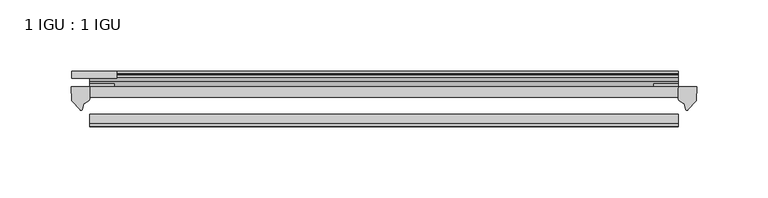
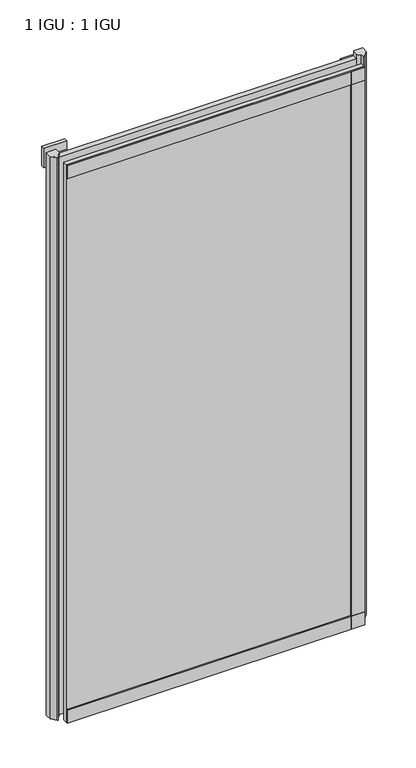
"""IFC4 building model written with IfcOpenShell, lengths in millimetres: plate geometry, 1 IGU : 1 IGU."""

from ifc_helpers import new_model, si_unit, point, frame, frame_2d, origin, place, context, project, spatial, polyline, circle_curve, trimmed, segment, composite_curve, outline, extrude, source, transform, mapped, element, save


def plate_1_igu_1_igu_d6f50480(model_context):
    return source(origin(), model_context, "Body", "SweptSolid", [
        extrude(outline(polyline([(307.959125, -11.6085937), (307.959125, -18.8576359), (-105.7513125, -18.8576359), (-105.7513125, -11.6085937), (307.959125, -11.6085937)])), frame((0.0, 0.0, -19.05), z_axis=(0.0, 0.0, 1.0), x_axis=(1.0, 0.0, 0.0)), (0.0, 0.0, 1.0), 819.1500001),
        extrude(outline(polyline([(-105.7513125, -30.7093937), (307.959125, -30.7093937), (307.959125, -37.0085937), (-105.7513125, -37.0085937), (-105.7513125, -30.7093937)])), frame((0.0, 0.0, -19.05), z_axis=(0.0, 0.0, 1.0), x_axis=(1.0, 0.0, 0.0)), (0.0, 0.0, 1.0), 819.1500001),
        extrude(outline(polyline([(-118.4513125, -5.3578125), (-118.4513125, -0.4960938), (-86.7013125, -0.4960938), (-86.7013125, -5.3578125), (-118.4513125, -5.3578125)])), frame((0.0, 0.0, 781.0500001), z_axis=(0.0, 0.0, 1.0), x_axis=(1.0, 0.0, 0.0)), (0.0, 0.0, 1.0), 28.575),
        extrude(outline(composite_curve([segment(polyline([(321.0370341, -11.6101465), (320.659125, -21.3502133), (314.7210717, -27.6095865)]), True, "CONTINUOUS"), segment(trimmed(circle_curve(frame_2d((314.0482657, -27.2518492)), 0.762), [point((314.7210717, -27.6095865))], [point((313.3195614, -27.4746364))], False, "CARTESIAN"), True, "CONTINUOUS"), segment(polyline([(313.3195614, -27.4746364), (312.0577269, -23.3488397)]), True, "CONTINUOUS"), segment(trimmed(circle_curve(frame_2d((314.239684, -16.3834724)), 7.2991286), [point((312.0577269, -23.3488397))], [point((307.9593036, -20.1028944))], False, "CARTESIAN"), True, "CONTINUOUS"), segment(polyline([(307.9593036, -20.1028944), (307.9593036, -12.664425)]), True, "CONTINUOUS"), segment(trimmed(circle_curve(frame_2d((314.2405581, -16.3827796)), 7.2993369), [point((307.9593036, -12.664425))], [point((308.71767, -11.6101465))], False, "CARTESIAN"), True, "CONTINUOUS"), segment(polyline([(308.71767, -11.6101465), (321.0370341, -11.6101465)]), True, "CONTINUOUS")], self_intersect=False)), frame((0.0, 0.0, -19.05), z_axis=(0.0, 0.0, 1.0), x_axis=(1.0, 0.0, 0.0)), (0.0, 0.0, 1.0), 826.2874001),
        extrude(outline(composite_curve([segment(polyline([(-105.7513125, -11.610702), (-105.7513125, -20.1014769)]), True, "CONTINUOUS"), segment(trimmed(circle_curve(frame_2d((-112.0325068, -16.3829847)), 7.2993552), [point((-105.7513125, -20.1014769))], [point((-109.8502623, -23.3484994))], False, "CARTESIAN"), True, "CONTINUOUS"), segment(polyline([(-109.8502623, -23.3484994), (-111.1117489, -27.4746364)]), True, "CONTINUOUS"), segment(trimmed(circle_curve(frame_2d((-111.8404532, -27.2518492)), 0.762), [point((-111.1117489, -27.4746364))], [point((-112.5132592, -27.6095865))], False, "CARTESIAN"), True, "CONTINUOUS"), segment(polyline([(-112.5132592, -27.6095865), (-118.4513125, -21.3502133), (-118.8292216, -11.610702), (-105.7513125, -11.610702)]), True, "CONTINUOUS")], self_intersect=False)), frame((0.0, 0.0, -19.05), z_axis=(0.0, 0.0, 1.0), x_axis=(1.0, 0.0, 0.0)), (0.0, 0.0, 1.0), 826.2874001),
        extrude(outline(polyline([(-11.6085937, -15.24), (-11.6085937, 2.8161565), (-0.5298609, 1.2591422), (-0.5298609, -0.6645794), (-5.258589, 0.0), (-5.258589, -4.826), (-1.575589, -4.826), (-1.575589, -7.874), (-5.258589, -7.874), (-5.258589, -13.208), (-3.099589, -13.208), (-3.099589, -15.24), (-11.6085937, -15.24)])), frame((-105.7513125, 0.0, 0.0), z_axis=(1.0, 0.0, 0.0), x_axis=(0.0, 1.0, 0.0)), (0.0, 0.0, 1.0), 413.7104375),
        extrude(outline(polyline([(-105.7513125, -39.2945937), (-105.7513125, -37.0085937), (307.959125, -37.0085937), (307.959125, -39.2945937), (-105.7513125, -39.2945937)])), frame((0.0, 0.0, -19.05), z_axis=(0.0, 0.0, 1.0), x_axis=(1.0, 0.0, 0.0)), (0.0, 0.0, 1.0), 19.05),
        extrude(outline(composite_curve([segment(trimmed(circle_curve(frame_2d((-6.5285937, 792.521876)), 1.27), [point((-7.4547667, 793.390843))], [point((-5.2585937, 792.521876))], False, "CARTESIAN"), True, "CONTINUOUS"), segment(polyline([(-5.2585937, 792.521876), (-5.2585937, 789.3050001), (-3.3544944, 786.6297863), (-5.2585937, 786.284551), (-5.2585937, 781.0500001), (-2.385052, 781.0500001)]), True, "CONTINUOUS"), segment(trimmed(circle_curve(frame_2d((-3.2589487, 780.5317718)), 1.016), [point((-2.385052, 781.0500001))], [point((-3.236916, 779.5160107))], False, "CARTESIAN"), True, "CONTINUOUS"), segment(trimmed(circle_curve(frame_2d((-2.5575611, 748.1961025)), 31.3272753), [point((-3.236916, 779.5160107))], [point((-11.6085937, 778.1873843))], True, "CARTESIAN"), True, "CONTINUOUS"), segment(polyline([(-11.6085937, 778.1873843), (-11.6085937, 788.9635609), (-7.4547667, 793.390843)]), True, "CONTINUOUS")], self_intersect=False)), frame((-105.7513125, 0.0, 0.0), z_axis=(1.0, 0.0, 0.0), x_axis=(0.0, 1.0, 0.0)), (0.0, 0.0, 1.0), 413.7104375),
        extrude(outline(polyline([(-105.7513125, -39.2945937), (-105.7513125, -37.0085937), (307.959125, -37.0085937), (307.959125, -39.2945937), (-105.7513125, -39.2945937)])), frame((0.0, 0.0, 781.0500001), z_axis=(0.0, 0.0, 1.0), x_axis=(1.0, 0.0, 0.0)), (0.0, 0.0, 1.0), 19.05),
        extrude(outline(polyline([(288.909125, -37.0085937), (307.959125, -37.0085937), (307.959125, -39.2945938), (288.909125, -39.2945938), (288.909125, -37.0085937)])), frame((0.0, 0.0, -19.05), z_axis=(0.0, 0.0, 1.0), x_axis=(1.0, 0.0, 0.0)), (0.0, 0.0, 1.0), 819.1500001),
        extrude(outline(polyline([(307.959125, -9.3247196), (307.959125, -11.6085937), (290.877625, -11.6085937), (290.877625, -9.3247196), (307.959125, -9.3247196)])), frame((0.0, 0.0, -19.05), z_axis=(0.0, 0.0, 1.0), x_axis=(1.0, 0.0, 0.0)), (0.0, 0.0, 1.0), 819.1500001),
        extrude(outline(polyline([(-105.7513125, -11.6107196), (-105.7513125, -9.2273438), (-88.6698125, -9.2273438), (-88.6698125, -11.6107196), (-105.7513125, -11.6107196)])), frame((0.0, 0.0, -19.05), z_axis=(0.0, 0.0, 1.0), x_axis=(1.0, 0.0, 0.0)), (0.0, 0.0, 1.0), 819.1500001),
    ])


if __name__ == "__main__":
    model = new_model("IFC4")
    model_context = context("Model", 3, world=origin())
    ifc_project = project(units=[si_unit("LENGTHUNIT", "METRE", prefix="MILLI")], contexts=[model_context])
    site = spatial("IfcSite", under=ifc_project)
    building = spatial("IfcBuilding", under=site)
    placement = place(None, origin())
    plate_1_igu_1_igu_shape = plate_1_igu_1_igu_d6f50480(model_context)
    element("IfcPlate", 1, ObjectType="1 IGU : 1 IGU", at=placement, inside=building, context=model_context, shape_type="MappedRepresentation", body=[
        mapped(plate_1_igu_1_igu_shape, transform((0.0, 0.0, 0.0), x_axis=(1.0, 0.0, 0.0), y_axis=(0.0, 1.0, 0.0), z_axis=(0.0, 0.0, 1.0))),
    ])
    save(model, "model.ifc")
